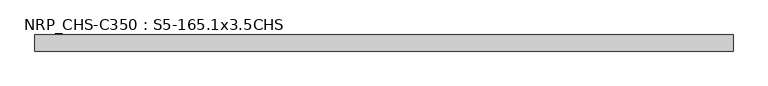
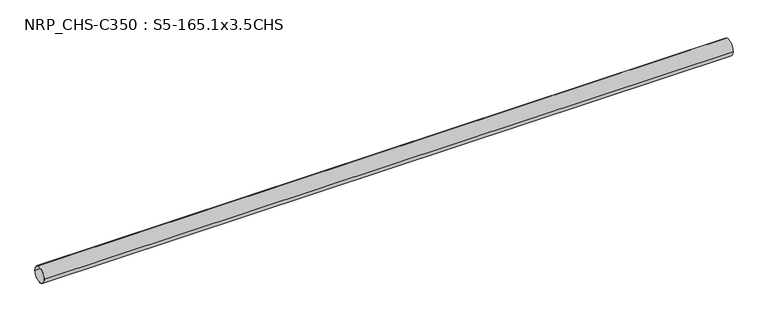
"""IFC4 building model written with IfcOpenShell, lengths in millimetres: beam geometry, NRP_CHS-C350 : S5-165.1x3.5CHS."""

from ifc_helpers import new_model, si_unit, point, frame, origin, origin_2d, place, context, project, spatial, circle_curve, trimmed, segment, composite_curve, outline, extrude, source, transform, mapped, element, save


def nrp_chs_c350_s5_165_1x3_5chs_308dcd01(model_context):
    return source(origin(), model_context, "Body", "SweptSolid", [
        extrude(outline(composite_curve([segment(trimmed(circle_curve(origin_2d(), 82.55), [point((82.55, 0.0))], [point((-82.55, 0.0))], False, "CARTESIAN"), True, "CONTINUOUS"), segment(trimmed(circle_curve(origin_2d(), 82.55), [point((-82.55, 0.0))], [point((82.55, 0.0))], False, "CARTESIAN"), True, "CONTINUOUS")], self_intersect=False), holes=[composite_curve([segment(trimmed(circle_curve(origin_2d(), 79.05), [point((-79.05, 0.0))], [point((79.05, 0.0))], True, "CARTESIAN"), True, "CONTINUOUS"), segment(trimmed(circle_curve(origin_2d(), 79.05), [point((79.05, 0.0))], [point((-79.05, 0.0))], True, "CARTESIAN"), True, "CONTINUOUS")], self_intersect=False)]), frame((-3546.55, 0.0, 0.0), z_axis=(1.0, 0.0, 0.0), x_axis=(0.0, 1.0, 0.0)), (0.0, 0.0, 1.0), 7141.1),
    ])


if __name__ == "__main__":
    model = new_model("IFC4")
    model_context = context("Model", 3, world=origin())
    ifc_project = project(units=[si_unit("LENGTHUNIT", "METRE", prefix="MILLI")], contexts=[model_context])
    site = spatial("IfcSite", under=ifc_project)
    building = spatial("IfcBuilding", under=site)
    placement = place(None, origin())
    nrp_chs_c350_s5_165_1x3_5chs_shape = nrp_chs_c350_s5_165_1x3_5chs_308dcd01(model_context)
    element("IfcBeam", 1, ObjectType="NRP_CHS-C350 : S5-165.1x3.5CHS", at=placement, inside=building, context=model_context, shape_type="MappedRepresentation", body=[
        mapped(nrp_chs_c350_s5_165_1x3_5chs_shape, transform((0.0, 0.0, 0.0), x_axis=(1.0, 0.0, 0.0), y_axis=(0.0, 1.0, 0.0), z_axis=(0.0, 0.0, 1.0))),
    ])
    save(model, "model.ifc")
